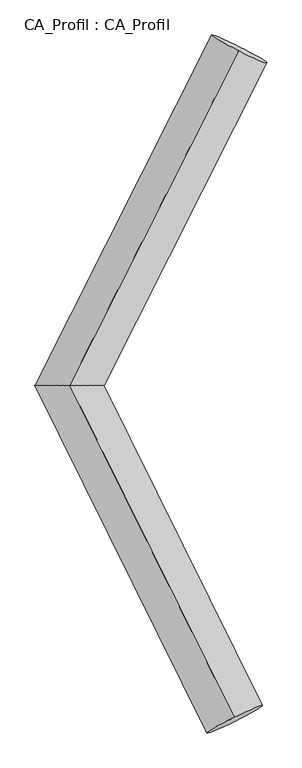
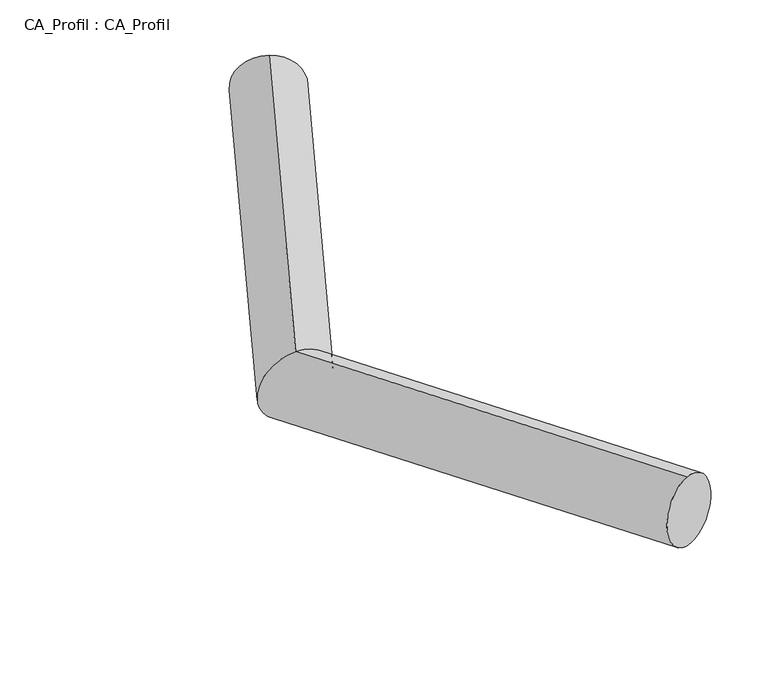
"""IFC4 building model written with IfcOpenShell, lengths in millimetres: plate geometry, CA_Profil : CA_Profil."""

from ifc_helpers import new_model, si_unit, frame, origin, place, context, project, spatial, circle_curve, ellipse_curve, source, transform, mapped, element, save
from ifc_brep_helpers import plane_surface, cylinder_surface, advanced_brep


def ca_profil_ca_profil_df62be0a(model_context):
    return source(origin(), model_context, "Body", "AdvancedBrep", [
        advanced_brep(
        [(6118.787967, 8827.0733834, -155.1811154), (6110.7063716, 8796.3738735, 343.8100949), (4739.9875854, 6095.8586228, -345.5449125), (4747.5467805, 6096.1413772, 155.6057403), (6081.2932682, 3383.2492219, -153.8514572), (6073.4701387, 3414.6406483, 345.1008221)],
        [
            (0, 1, circle_curve(frame((6114.7471693, 8811.7236284, 94.3144898), z_axis=(0.4497901585646876, 0.890972715600869, 0.06210018770636854), x_axis=(-0.016163190797070494, -0.06139901989260423, 0.9979824204962155)), 250.0)),
            (1, 0, circle_curve(frame((6114.7471693, 8811.7236284, 94.3144898), z_axis=(0.4497901585646876, 0.890972715600869, 0.06210018770636854), x_axis=(-0.016163190797070494, -0.06139901989260423, 0.9979824204962155)), 250.0)),
            (0, 2),
            (2, 3, ellipse_curve(frame((4743.7671829, 6096.0, -94.9695861), z_axis=(0.004162662156383826, 0.9999911395220503, -0.0006269937504003117), x_axis=(0.9902696759943271, -0.004034977047775427, 0.13910315512710003)), 280.0184828, 250.0)),
            (3, 1),
            (3, 2, ellipse_curve(frame((4743.7671829, 6096.0, -94.9695861), z_axis=(0.004162662156383826, 0.9999911395220503, -0.0006269937504003117), x_axis=(0.9902696759943271, -0.004034977047775427, 0.13910315512710003)), 280.0184828, 250.0)),
            (4, 5, circle_curve(frame((6077.3817035, 3398.9449351, 95.6246824), z_axis=(0.4423573239272515, -0.8946078815585373, 0.0632197455014407), x_axis=(-0.0156462590348024, 0.06278285280942203, 0.9979045585482242)), 250.0)),
            (5, 4, circle_curve(frame((6077.3817035, 3398.9449351, 95.6246824), z_axis=(0.4423573239272515, -0.8946078815585373, 0.0632197455014407), x_axis=(-0.0156462590348024, 0.06278285280942203, 0.9979045585482242)), 250.0)),
            (2, 4),
            (5, 3),
        ],
        [
            plane_surface(frame((6114.7471693, 8829.1062859, -155.0804645), z_axis=(0.44979015856468907, 0.8909727156008683, 0.06210018770636854), x_axis=(0.8931342638474642, -0.4487015841275228, -0.031274192924833064))),
            cylinder_surface(frame((6114.7471693, 8811.7236284, 94.3144898), z_axis=(0.4497901585646876, 0.890972715600869, 0.06210018770636854), x_axis=(-0.016163190797070494, -0.06139901989260423, 0.9979824204962155)), 250.0),
            plane_surface(frame((6077.3817035, 3381.3219969, -153.7534081), z_axis=(0.44235732392725075, -0.8946078815585377, 0.06321974550144029), x_axis=(0.8968388918685013, 0.4412568991360003, -0.031182543144526835))),
            cylinder_surface(frame((4743.7671829, 6096.0, -94.9695861), z_axis=(-0.4423573239272514, 0.8946078815585371, -0.06321974550144069), x_axis=(-0.0156462590348024, 0.06278285280942203, 0.9979045585482242)), 250.0),
        ],
        [
            (0, [[1, 2]]),
            (1, [[-1, 3, 4, 5]]),
            (1, [[-2, -5, 6, -3]]),
            (2, [[7, 8]]),
            (3, [[-4, 9, -8, 10]]),
            (3, [[-6, -10, -7, -9]]),
        ],
    ),
    ])


if __name__ == "__main__":
    model = new_model("IFC4")
    model_context = context("Model", 3, world=origin())
    ifc_project = project(units=[si_unit("LENGTHUNIT", "METRE", prefix="MILLI")], contexts=[model_context])
    site = spatial("IfcSite", under=ifc_project)
    building = spatial("IfcBuilding", under=site)
    placement = place(None, origin())
    ca_profil_ca_profil_shape = ca_profil_ca_profil_df62be0a(model_context)
    element("IfcPlate", 1, ObjectType="CA_Profil : CA_Profil", at=placement, inside=building, context=model_context, shape_type="MappedRepresentation", body=[
        mapped(ca_profil_ca_profil_shape, transform((0.0, 0.0, 0.0), x_axis=(1.0, 0.0, 0.0), y_axis=(0.0, 1.0, 0.0), z_axis=(0.0, 0.0, 1.0))),
    ])
    save(model, "model.ifc")
